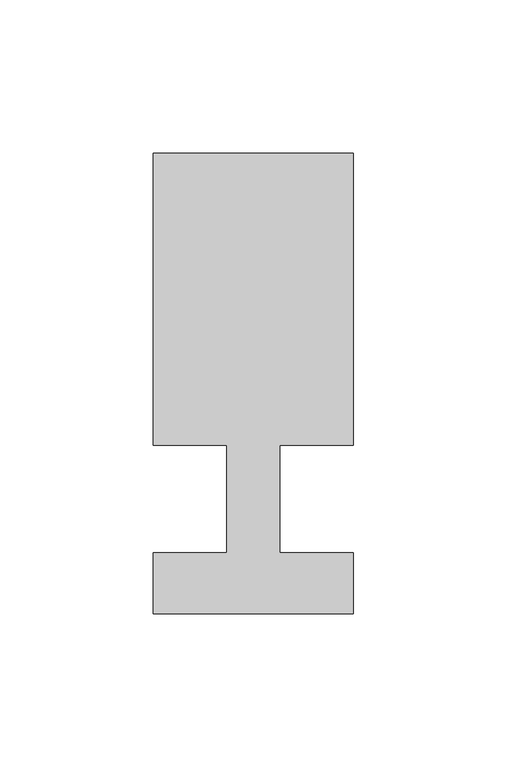
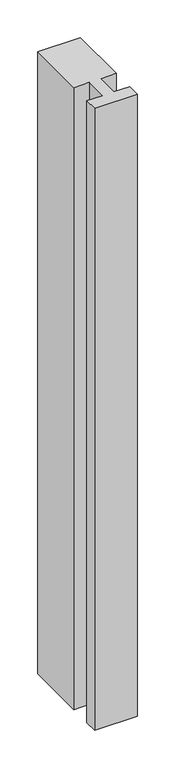
"""IFC4 building model written with IfcOpenShell, lengths in millimetres: member geometry."""

from ifc_helpers import new_model, si_unit, frame, origin, place, context, project, spatial, polyline, outline, extrude, source, transform, mapped, element, save


def member_835a5747(model_context):
    return source(origin(), model_context, "Body", "SweptSolid", [
        extrude(outline(polyline([(0.0, -37.0), (-65.0, -37.0), (-65.0, -17.0), (-41.1875, -17.0), (-41.1875, 18.0), (-65.0, 18.0), (-65.0, 113.0), (0.0, 113.0), (0.0, 18.0), (-23.8125, 18.0), (-23.8125, -17.0), (0.0, -17.0), (0.0, -37.0)])), frame((0.0, 0.0, -1004.0982143), z_axis=(0.0, 0.0, 1.0), x_axis=(1.0, 0.0, 0.0)), (0.0, 0.0, 1.0), 1004.0982143),
    ])


if __name__ == "__main__":
    model = new_model("IFC4")
    model_context = context("Model", 3, world=origin())
    ifc_project = project(units=[si_unit("LENGTHUNIT", "METRE", prefix="MILLI")], contexts=[model_context])
    site = spatial("IfcSite", under=ifc_project)
    building = spatial("IfcBuilding", under=site)
    placement = place(None, origin())
    member_shape = member_835a5747(model_context)
    element("IfcMember", 1, at=placement, inside=building, context=model_context, shape_type="MappedRepresentation", body=[
        mapped(member_shape, transform((0.0, 0.0, 0.0), x_axis=(1.0, 0.0, 0.0), y_axis=(0.0, 1.0, 0.0), z_axis=(0.0, 0.0, 1.0))),
    ])
    save(model, "model.ifc")
